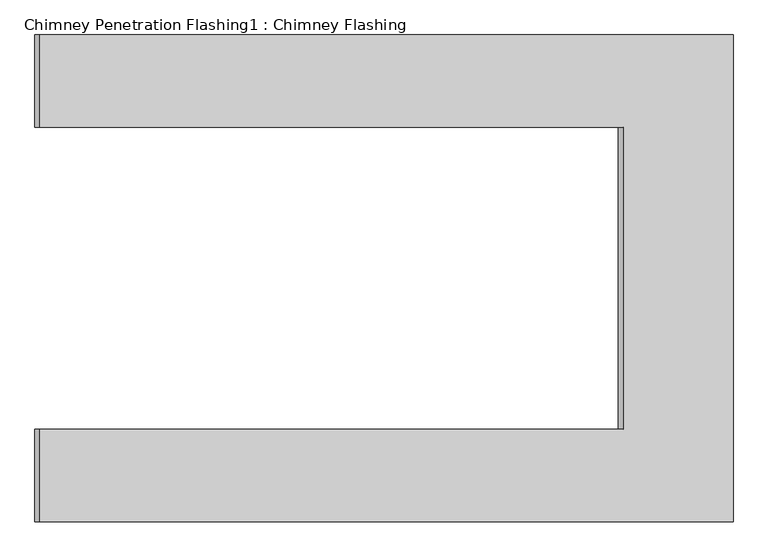
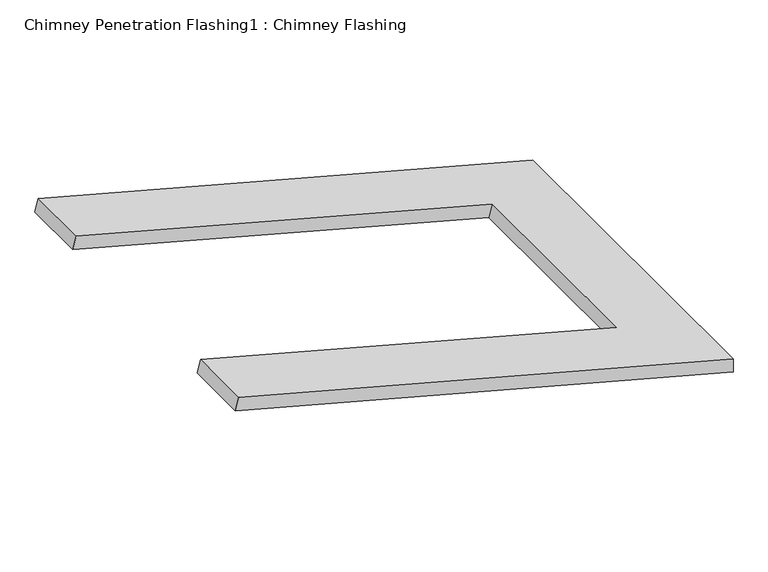
"""IFC4 building model written with IfcOpenShell, lengths in millimetres: proxy geometry, Chimney Penetration Flashing1 : Chimney Flashing."""

import ifcopenshell
import ifcopenshell.guid

model = None  # the IFC model being written
_history = None  # IfcOwnerHistory: only IFC2X3 demands one
_inside = {}  # id of a spatial element -> (the spatial element, [elements in it])
_under = {}  # id of a project, library or spatial element -> (it, [spatial elements below it])
_declared = {}  # id of a project -> (the project, [libraries it declares])
_typed = {}  # id of a type object -> (the type object, [elements of that type])
_made_of = {}  # id of a material, layer set ... -> (it, [elements and type objects made of it])


def new_model(schema):
    """Start an empty IFC model of exactly this schema.

    Asked for "IFC4X3", IfcOpenShell would pick the latest addendum, in which some entities
    have other attributes; the version numbers below select the first issue.
    IFC2X3 requires an IfcOwnerHistory on every rooted entity: one is made here for all.
    """
    global model, _history
    if schema == "IFC4X3":
        model = ifcopenshell.file(schema_version=(4, 3, 0, 0))
    else:
        model = ifcopenshell.file(schema=schema)
    _inside.clear()
    _under.clear()
    _declared.clear()
    _typed.clear()
    _made_of.clear()
    _history = None
    if model.schema == "IFC2X3":
        org = make("IfcOrganization", Name="unknown")
        user = make(
            "IfcPersonAndOrganization",
            ThePerson=make("IfcPerson", FamilyName="unknown"),
            TheOrganization=org,
        )
        app = make(
            "IfcApplication",
            ApplicationDeveloper=org,
            Version="unknown",
            ApplicationFullName="unknown",
            ApplicationIdentifier="unknown",
        )
        _history = make(
            "IfcOwnerHistory",
            OwningUser=user,
            OwningApplication=app,
            ChangeAction="ADDED",
            CreationDate=0,
        )
    return model


def make(cls, **values):
    """One entity of the class cls with the attributes given. An attribute that is None is left unset."""
    return model.create_entity(
        cls, **{name: value for name, value in values.items() if value is not None}
    )


def rooted(cls, **values):
    """An entity with a GlobalId (a new one), such as an element, a storey or a relation."""
    return make(cls, GlobalId=ifcopenshell.guid.new(), OwnerHistory=_history, **values)


def si_unit(unit_type, name, prefix=None):
    """IfcSIUnit, for example si_unit("LENGTHUNIT", "METRE", prefix="MILLI")."""
    return make("IfcSIUnit", UnitType=unit_type, Prefix=prefix, Name=name)


def assignment(units):
    """IfcUnitAssignment: the units of a project."""
    return None if units is None else make("IfcUnitAssignment", Units=units)


def point(xyz):
    """IfcCartesianPoint."""
    return None if xyz is None else make("IfcCartesianPoint", Coordinates=xyz)


def direction(xyz):
    """IfcDirection."""
    return None if xyz is None else make("IfcDirection", DirectionRatios=xyz)


def frame(location, z_axis=None, x_axis=None):
    """IfcAxis2Placement3D, a coordinate frame: its origin and axes. An axis left out is left unset."""
    return make(
        "IfcAxis2Placement3D",
        Location=point(location),
        Axis=direction(z_axis),
        RefDirection=direction(x_axis),
    )


def origin():
    """The frame at (0, 0, 0) with its axes left unset."""
    return frame((0.0, 0.0, 0.0))


def place(relative_to, where):
    """IfcLocalPlacement: puts the frame where relative to a parent placement (None: the world)."""
    return make(
        "IfcLocalPlacement", PlacementRelTo=relative_to, RelativePlacement=where
    )


def context(
    kind, dimensions, precision=None, world=None, true_north=None, identifier=None
):
    """IfcGeometricRepresentationContext, for example the 3D "Model" context."""
    return make(
        "IfcGeometricRepresentationContext",
        ContextIdentifier=identifier,
        ContextType=kind,
        CoordinateSpaceDimension=dimensions,
        Precision=precision,
        WorldCoordinateSystem=world,
        TrueNorth=true_north,
    )


def project(units=None, contexts=None):
    """IfcProject with its units and contexts."""
    return rooted(
        "IfcProject",
        Name="project",
        RepresentationContexts=contexts,
        UnitsInContext=assignment(units),
    )


def spatial(cls, under=None, at=None, **own):
    """A site, building, storey or space (cls), placed at a placement, below another one or the project."""
    s = rooted(cls, ObjectPlacement=at, **own)
    if under is not None:
        _under.setdefault(under.id(), (under, []))[1].append(s)
    return s


def faces_of(points, faces, orient=None, outer=None):
    """IfcFace entities. A face is a list of loops; a loop is a list of indices into points, from 0.

    orient and outer hold one flag for each loop. By default every Orientation is true, the
    first loop of a face is its IfcFaceOuterBound and the others are IfcFaceBound.
    """
    made = []
    for i, loops in enumerate(faces):
        bounds = []
        for j, loop in enumerate(loops):
            is_outer = j == 0 if outer is None else outer[i][j]
            bounds.append(
                make(
                    "IfcFaceOuterBound" if is_outer else "IfcFaceBound",
                    Bound=make("IfcPolyLoop", Polygon=[points[k] for k in loop]),
                    Orientation=True if orient is None else orient[i][j],
                )
            )
        made.append(make("IfcFace", Bounds=bounds))
    return made


def faceted_brep(points, faces, orient=None, outer=None, voids=None):
    """IfcFacetedBrep: a solid bounded by flat faces; with voids (closed shells), ...WithVoids."""
    shared = [point(p) for p in points]
    hull = make("IfcClosedShell", CfsFaces=faces_of(shared, faces, orient, outer))
    if voids is None:
        return make("IfcFacetedBrep", Outer=hull)
    return make(
        "IfcFacetedBrepWithVoids",
        Outer=hull,
        Voids=[
            make(cls, CfsFaces=faces_of(shared, fs, o, b)) for cls, fs, o, b in voids
        ],
    )


def shape(context_of_items, identifier, shape_type, items):
    """IfcShapeRepresentation: the items that make up one representation, for example the "Body"."""
    return make(
        "IfcShapeRepresentation",
        ContextOfItems=context_of_items,
        RepresentationIdentifier=identifier,
        RepresentationType=shape_type,
        Items=items,
    )


def source(mapping_origin, context_of_items, identifier, shape_type, items):
    """IfcRepresentationMap: a shape defined once, which mapped items show again and again."""
    return make(
        "IfcRepresentationMap",
        MappingOrigin=mapping_origin,
        MappedRepresentation=shape(context_of_items, identifier, shape_type, items),
    )


def transform(
    local_origin,
    x_axis=None,
    y_axis=None,
    z_axis=None,
    scale=None,
    scale2=None,
    scale3=None,
    uniform=True,
):
    """IfcCartesianTransformationOperator3D, or its non-uniform kind. x_axis, y_axis, z_axis: its Axis1, 2, 3."""
    if uniform:
        return make(
            "IfcCartesianTransformationOperator3D",
            Axis1=direction(x_axis),
            Axis2=direction(y_axis),
            LocalOrigin=point(local_origin),
            Scale=scale,
            Axis3=direction(z_axis),
        )
    return make(
        "IfcCartesianTransformationOperator3DnonUniform",
        Axis1=direction(x_axis),
        Axis2=direction(y_axis),
        LocalOrigin=point(local_origin),
        Scale=scale,
        Axis3=direction(z_axis),
        Scale2=scale2,
        Scale3=scale3,
    )


def mapped(mapping_source, mapping_target):
    """IfcMappedItem: shows the shape of a source again, moved by a transform."""
    return make(
        "IfcMappedItem", MappingSource=mapping_source, MappingTarget=mapping_target
    )


def made_of(thing, what):
    """Note that an element or type object is made of a material, layer set ...; save() writes the relation."""
    if what is not None:
        _made_of.setdefault(what.id(), (what, []))[1].append(thing)
    return thing


def element(
    cls,
    number,
    at=None,
    inside=None,
    cuts=None,
    type_object=None,
    material=None,
    context=None,
    identifier="Body",
    shape_type=None,
    held_by="IfcProductDefinitionShape",
    body=None,
    shapes=None,
    **own,
):
    """One element of the class cls, such as IfcWall. Its Tag is "e" and its number.

    at: its placement. inside: the storey or other place that contains it. cuts: it is an
    opening in that element (IfcRelVoidsElement). A single representation is given by context,
    identifier, shape_type and body (its items); several are given by shapes. held_by: the class
    of the entity that holds the representations. save() writes the other relations.
    """
    e = rooted(cls, Tag="e%d" % number, ObjectPlacement=at, **own)
    if body is not None:
        shapes = [shape(context, identifier, shape_type, body)]
    if shapes is not None:
        e.Representation = make(held_by, Representations=shapes)
    if inside is not None:
        _inside.setdefault(inside.id(), (inside, []))[1].append(e)
    if cuts is not None:
        rooted(
            "IfcRelVoidsElement", RelatingBuildingElement=cuts, RelatedOpeningElement=e
        )
    if type_object is not None:
        _typed.setdefault(type_object.id(), (type_object, []))[1].append(e)
    return made_of(e, material)


def aggregate(whole, parts):
    """IfcRelAggregates: a whole, such as a stair, and the parts it consists of."""
    return rooted("IfcRelAggregates", RelatingObject=whole, RelatedObjects=parts)


def save(model, path):
    """Write the relations noted so far, then the file.

    IfcRelAggregates (storeys below a building ...), IfcRelContainedInSpatialStructure (elements
    in a storey), IfcRelDefinesByType, IfcRelAssociatesMaterial and IfcRelDeclares: one each for
    every whole, place, type object, material and project.
    """
    for whole, parts in _under.values():
        aggregate(whole, parts)
    for where, things in _inside.values():
        rooted(
            "IfcRelContainedInSpatialStructure",
            RelatedElements=things,
            RelatingStructure=where,
        )
    for kind, things in _typed.values():
        rooted("IfcRelDefinesByType", RelatedObjects=things, RelatingType=kind)
    for what, things in _made_of.values():
        rooted("IfcRelAssociatesMaterial", RelatedObjects=things, RelatingMaterial=what)
    for by, libraries in _declared.values():
        rooted("IfcRelDeclares", RelatingContext=by, RelatedDefinitions=libraries)
    model.write(path)


def chimney_penetration_flashing1_chimney_flashing_b41befaf(model_context):
    return source(origin(), model_context, "Body", "Brep", [
        faceted_brep([(10896.0325254, -12056.559391, 6876.3272044), (10896.0325254, -12056.559391, 6915.1260589), (9518.4395178, -12056.559391, 7284.2509927), (9508.7492993, -12056.559391, 7248.0486245), (10896.0325254, -11089.2324935, 6876.3272044), (9508.7492993, -11089.2324935, 7248.0486245), (9518.4395178, -11089.2324935, 7284.2509927), (10896.0325254, -11089.2324935, 6915.1260589), (9518.4395178, -11272.8959422, 7284.2509927), (10677.550479, -11272.8959422, 6973.6681468), (10677.550479, -11872.8959422, 6973.6681468), (9518.4395178, -11872.8959422, 7284.2509927), (9508.7492993, -11872.8959422, 7248.0486245), (9508.7492993, -11272.8959422, 7248.0486245), (10667.8507654, -11872.8959422, 6937.4683227), (10667.8507654, -11272.8959422, 6937.4683227)], [[[0, 1, 2, 3]], [[4, 5, 6, 7]], [[1, 0, 4, 7]], [[2, 1, 7, 6, 8, 9, 10, 11]], [[3, 2, 11, 12]], [[6, 5, 13, 8]], [[0, 3, 12, 14, 15, 13, 5, 4]], [[15, 9, 8, 13]], [[9, 15, 14, 10]], [[10, 14, 12, 11]]]),
    ])


if __name__ == "__main__":
    model = new_model("IFC4")
    model_context = context("Model", 3, world=origin())
    ifc_project = project(units=[si_unit("LENGTHUNIT", "METRE", prefix="MILLI")], contexts=[model_context])
    site = spatial("IfcSite", under=ifc_project)
    building = spatial("IfcBuilding", under=site)
    placement = place(None, origin())
    chimney_penetration_flashing1_chimney_flashing_shape = chimney_penetration_flashing1_chimney_flashing_b41befaf(model_context)
    element("IfcBuildingElementProxy", 1, Name="Chimney Penetration Flashing1 : Chimney Flashing", ObjectType="Chimney Penetration Flashing1 : Chimney Flashing", at=placement, inside=building, context=model_context, shape_type="MappedRepresentation", body=[
        mapped(chimney_penetration_flashing1_chimney_flashing_shape, transform((0.0, 0.0, 0.0), x_axis=(1.0, 0.0, 0.0), y_axis=(0.0, 1.0, 0.0), z_axis=(0.0, 0.0, 1.0))),
    ])
    save(model, "model.ifc")
